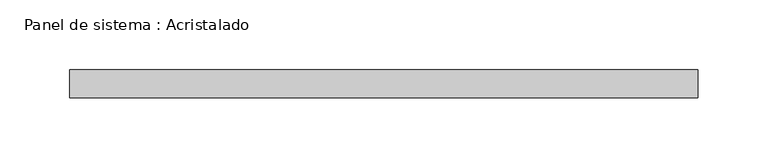
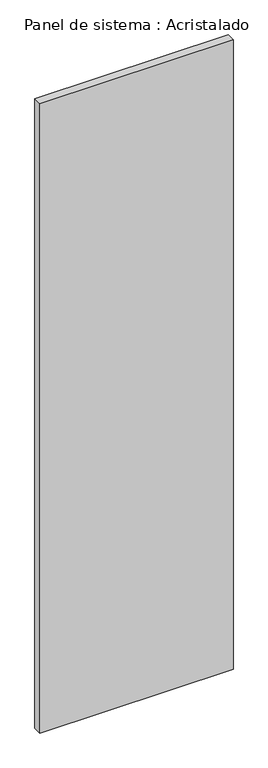
"""IFC4 building model written with IfcOpenShell, lengths in millimetres: plate geometry, Panel de sistema : Acristalado."""

from ifc_helpers import new_model, si_unit, origin, origin_with_axes, place, context, project, spatial, polyline, outline, extrude, source, transform, mapped, element, save


def panel_de_sistema_acristalado_e1c249dc(model_context):
    return source(origin(), model_context, "Body", "SweptSolid", [
        extrude(outline(polyline([(225.0, -10.0), (-225.0, -10.0), (-225.0, 10.0), (225.0, 10.0), (225.0, -10.0)])), origin_with_axes(), (0.0, 0.0, 1.0), 1550.0),
    ])


if __name__ == "__main__":
    model = new_model("IFC4")
    model_context = context("Model", 3, world=origin())
    ifc_project = project(units=[si_unit("LENGTHUNIT", "METRE", prefix="MILLI")], contexts=[model_context])
    site = spatial("IfcSite", under=ifc_project)
    building = spatial("IfcBuilding", under=site)
    placement = place(None, origin())
    panel_de_sistema_acristalado_shape = panel_de_sistema_acristalado_e1c249dc(model_context)
    element("IfcPlate", 1, ObjectType="Panel de sistema : Acristalado", at=placement, inside=building, context=model_context, shape_type="MappedRepresentation", body=[
        mapped(panel_de_sistema_acristalado_shape, transform((0.0, 0.0, 0.0), x_axis=(1.0, 0.0, 0.0), y_axis=(0.0, 1.0, 0.0), z_axis=(0.0, 0.0, 1.0))),
    ])
    save(model, "model.ifc")
